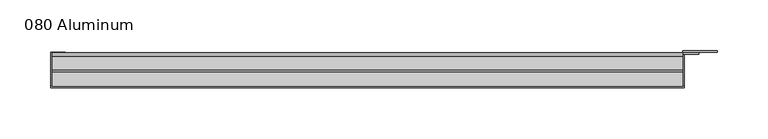
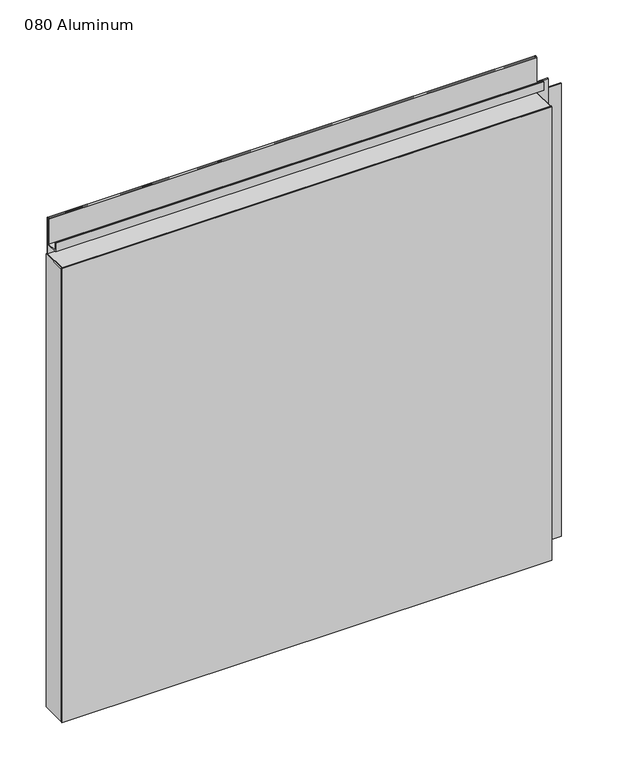
"""IFC4 building model written with IfcOpenShell, lengths in millimetres: plate geometry, 080 Aluminum."""

import ifcopenshell
import ifcopenshell.guid

model = None  # the IFC model being written
_history = None  # IfcOwnerHistory: only IFC2X3 demands one
_inside = {}  # id of a spatial element -> (the spatial element, [elements in it])
_under = {}  # id of a project, library or spatial element -> (it, [spatial elements below it])
_declared = {}  # id of a project -> (the project, [libraries it declares])
_typed = {}  # id of a type object -> (the type object, [elements of that type])
_made_of = {}  # id of a material, layer set ... -> (it, [elements and type objects made of it])


def new_model(schema):
    """Start an empty IFC model of exactly this schema.

    Asked for "IFC4X3", IfcOpenShell would pick the latest addendum, in which some entities
    have other attributes; the version numbers below select the first issue.
    IFC2X3 requires an IfcOwnerHistory on every rooted entity: one is made here for all.
    """
    global model, _history
    if schema == "IFC4X3":
        model = ifcopenshell.file(schema_version=(4, 3, 0, 0))
    else:
        model = ifcopenshell.file(schema=schema)
    _inside.clear()
    _under.clear()
    _declared.clear()
    _typed.clear()
    _made_of.clear()
    _history = None
    if model.schema == "IFC2X3":
        org = make("IfcOrganization", Name="unknown")
        user = make(
            "IfcPersonAndOrganization",
            ThePerson=make("IfcPerson", FamilyName="unknown"),
            TheOrganization=org,
        )
        app = make(
            "IfcApplication",
            ApplicationDeveloper=org,
            Version="unknown",
            ApplicationFullName="unknown",
            ApplicationIdentifier="unknown",
        )
        _history = make(
            "IfcOwnerHistory",
            OwningUser=user,
            OwningApplication=app,
            ChangeAction="ADDED",
            CreationDate=0,
        )
    return model


def make(cls, **values):
    """One entity of the class cls with the attributes given. An attribute that is None is left unset."""
    return model.create_entity(
        cls, **{name: value for name, value in values.items() if value is not None}
    )


def rooted(cls, **values):
    """An entity with a GlobalId (a new one), such as an element, a storey or a relation."""
    return make(cls, GlobalId=ifcopenshell.guid.new(), OwnerHistory=_history, **values)


def si_unit(unit_type, name, prefix=None):
    """IfcSIUnit, for example si_unit("LENGTHUNIT", "METRE", prefix="MILLI")."""
    return make("IfcSIUnit", UnitType=unit_type, Prefix=prefix, Name=name)


def assignment(units):
    """IfcUnitAssignment: the units of a project."""
    return None if units is None else make("IfcUnitAssignment", Units=units)


def point(xyz):
    """IfcCartesianPoint."""
    return None if xyz is None else make("IfcCartesianPoint", Coordinates=xyz)


def direction(xyz):
    """IfcDirection."""
    return None if xyz is None else make("IfcDirection", DirectionRatios=xyz)


def frame(location, z_axis=None, x_axis=None):
    """IfcAxis2Placement3D, a coordinate frame: its origin and axes. An axis left out is left unset."""
    return make(
        "IfcAxis2Placement3D",
        Location=point(location),
        Axis=direction(z_axis),
        RefDirection=direction(x_axis),
    )


def frame_2d(location, x_axis=None):
    """IfcAxis2Placement2D, a coordinate frame in the plane: its origin and x axis."""
    return make(
        "IfcAxis2Placement2D", Location=point(location), RefDirection=direction(x_axis)
    )


def origin():
    """The frame at (0, 0, 0) with its axes left unset."""
    return frame((0.0, 0.0, 0.0))


def origin_with_axes():
    """The frame at (0, 0, 0) with the z axis (0, 0, 1) and the x axis (1, 0, 0) written out."""
    return frame((0.0, 0.0, 0.0), z_axis=(0.0, 0.0, 1.0), x_axis=(1.0, 0.0, 0.0))


def place(relative_to, where):
    """IfcLocalPlacement: puts the frame where relative to a parent placement (None: the world)."""
    return make(
        "IfcLocalPlacement", PlacementRelTo=relative_to, RelativePlacement=where
    )


def context(
    kind, dimensions, precision=None, world=None, true_north=None, identifier=None
):
    """IfcGeometricRepresentationContext, for example the 3D "Model" context."""
    return make(
        "IfcGeometricRepresentationContext",
        ContextIdentifier=identifier,
        ContextType=kind,
        CoordinateSpaceDimension=dimensions,
        Precision=precision,
        WorldCoordinateSystem=world,
        TrueNorth=true_north,
    )


def project(units=None, contexts=None):
    """IfcProject with its units and contexts."""
    return rooted(
        "IfcProject",
        Name="project",
        RepresentationContexts=contexts,
        UnitsInContext=assignment(units),
    )


def spatial(cls, under=None, at=None, **own):
    """A site, building, storey or space (cls), placed at a placement, below another one or the project."""
    s = rooted(cls, ObjectPlacement=at, **own)
    if under is not None:
        _under.setdefault(under.id(), (under, []))[1].append(s)
    return s


def polyline(points):
    """IfcPolyline through the points."""
    return make("IfcPolyline", Points=[point(p) for p in points])


def circle_curve(where, radius):
    """IfcCircle in the frame where."""
    return make("IfcCircle", Position=where, Radius=radius)


def trimmed(basis, trim1, trim2, sense, master):
    """IfcTrimmedCurve: the piece of a basis curve between two trims."""
    return make(
        "IfcTrimmedCurve",
        BasisCurve=basis,
        Trim1=trim1,
        Trim2=trim2,
        SenseAgreement=sense,
        MasterRepresentation=master,
    )


def segment(curve, same_sense, transition):
    """IfcCompositeCurveSegment."""
    return make(
        "IfcCompositeCurveSegment",
        Transition=transition,
        SameSense=same_sense,
        ParentCurve=curve,
    )


def composite_curve(segments, self_intersect=None):
    """IfcCompositeCurve: segments joined end to end."""
    return make("IfcCompositeCurve", Segments=segments, SelfIntersect=self_intersect)


def outline(outer, holes=None, kind="AREA"):
    """IfcArbitraryClosedProfileDef: a profile drawn as a closed curve; with holes, ...WithVoids."""
    if holes is None:
        return make("IfcArbitraryClosedProfileDef", ProfileType=kind, OuterCurve=outer)
    return make(
        "IfcArbitraryProfileDefWithVoids",
        ProfileType=kind,
        OuterCurve=outer,
        InnerCurves=holes,
    )


def extrude(swept, where, along, depth):
    """IfcExtrudedAreaSolid: the profile swept, set in the frame where, extruded along a direction by depth."""
    return make(
        "IfcExtrudedAreaSolid",
        SweptArea=swept,
        Position=where,
        ExtrudedDirection=direction(along),
        Depth=depth,
    )


def shape(context_of_items, identifier, shape_type, items):
    """IfcShapeRepresentation: the items that make up one representation, for example the "Body"."""
    return make(
        "IfcShapeRepresentation",
        ContextOfItems=context_of_items,
        RepresentationIdentifier=identifier,
        RepresentationType=shape_type,
        Items=items,
    )


def source(mapping_origin, context_of_items, identifier, shape_type, items):
    """IfcRepresentationMap: a shape defined once, which mapped items show again and again."""
    return make(
        "IfcRepresentationMap",
        MappingOrigin=mapping_origin,
        MappedRepresentation=shape(context_of_items, identifier, shape_type, items),
    )


def transform(
    local_origin,
    x_axis=None,
    y_axis=None,
    z_axis=None,
    scale=None,
    scale2=None,
    scale3=None,
    uniform=True,
):
    """IfcCartesianTransformationOperator3D, or its non-uniform kind. x_axis, y_axis, z_axis: its Axis1, 2, 3."""
    if uniform:
        return make(
            "IfcCartesianTransformationOperator3D",
            Axis1=direction(x_axis),
            Axis2=direction(y_axis),
            LocalOrigin=point(local_origin),
            Scale=scale,
            Axis3=direction(z_axis),
        )
    return make(
        "IfcCartesianTransformationOperator3DnonUniform",
        Axis1=direction(x_axis),
        Axis2=direction(y_axis),
        LocalOrigin=point(local_origin),
        Scale=scale,
        Axis3=direction(z_axis),
        Scale2=scale2,
        Scale3=scale3,
    )


def mapped(mapping_source, mapping_target):
    """IfcMappedItem: shows the shape of a source again, moved by a transform."""
    return make(
        "IfcMappedItem", MappingSource=mapping_source, MappingTarget=mapping_target
    )


def made_of(thing, what):
    """Note that an element or type object is made of a material, layer set ...; save() writes the relation."""
    if what is not None:
        _made_of.setdefault(what.id(), (what, []))[1].append(thing)
    return thing


def element(
    cls,
    number,
    at=None,
    inside=None,
    cuts=None,
    type_object=None,
    material=None,
    context=None,
    identifier="Body",
    shape_type=None,
    held_by="IfcProductDefinitionShape",
    body=None,
    shapes=None,
    **own,
):
    """One element of the class cls, such as IfcWall. Its Tag is "e" and its number.

    at: its placement. inside: the storey or other place that contains it. cuts: it is an
    opening in that element (IfcRelVoidsElement). A single representation is given by context,
    identifier, shape_type and body (its items); several are given by shapes. held_by: the class
    of the entity that holds the representations. save() writes the other relations.
    """
    e = rooted(cls, Tag="e%d" % number, ObjectPlacement=at, **own)
    if body is not None:
        shapes = [shape(context, identifier, shape_type, body)]
    if shapes is not None:
        e.Representation = make(held_by, Representations=shapes)
    if inside is not None:
        _inside.setdefault(inside.id(), (inside, []))[1].append(e)
    if cuts is not None:
        rooted(
            "IfcRelVoidsElement", RelatingBuildingElement=cuts, RelatedOpeningElement=e
        )
    if type_object is not None:
        _typed.setdefault(type_object.id(), (type_object, []))[1].append(e)
    return made_of(e, material)


def aggregate(whole, parts):
    """IfcRelAggregates: a whole, such as a stair, and the parts it consists of."""
    return rooted("IfcRelAggregates", RelatingObject=whole, RelatedObjects=parts)


def save(model, path):
    """Write the relations noted so far, then the file.

    IfcRelAggregates (storeys below a building ...), IfcRelContainedInSpatialStructure (elements
    in a storey), IfcRelDefinesByType, IfcRelAssociatesMaterial and IfcRelDeclares: one each for
    every whole, place, type object, material and project.
    """
    for whole, parts in _under.values():
        aggregate(whole, parts)
    for where, things in _inside.values():
        rooted(
            "IfcRelContainedInSpatialStructure",
            RelatedElements=things,
            RelatingStructure=where,
        )
    for kind, things in _typed.values():
        rooted("IfcRelDefinesByType", RelatedObjects=things, RelatingType=kind)
    for what, things in _made_of.values():
        rooted("IfcRelAssociatesMaterial", RelatedObjects=things, RelatingMaterial=what)
    for by, libraries in _declared.values():
        rooted("IfcRelDeclares", RelatingContext=by, RelatedDefinitions=libraries)
    model.write(path)


def plate_080_aluminum_3f7f621a(model_context):
    return source(origin(), model_context, "Body", "SweptSolid", [
        extrude(outline(polyline([(-316.23, -2.5660257), (-316.23, -34.7980001), (-317.4999999, -34.7980001), (-317.4999999, -1.2699999), (-303.3394994, -1.2699999), (-303.3394994, -2.5660257), (-316.23, -2.5660257)])), origin_with_axes(), (0.0, 0.0, 1.0), 608.33),
        extrude(outline(composite_curve([segment(polyline([(-16.6765477, 13.1458337), (-16.6765477, 2.786437), (-17.9464915, 2.786437), (-17.9464915, 13.1323356)]), True, "CONTINUOUS"), segment(trimmed(circle_curve(frame_2d((-19.8514743, 13.124237)), 1.905), [point((-17.9464915, 13.1323356))], [point((-21.7564743, 13.124237))], True, "CARTESIAN"), True, "CONTINUOUS"), segment(polyline([(-21.7564743, 13.124237), (-21.7564743, 0.0), (-34.7980002, 0.0), (-34.7980002, 1.2693678), (-23.0264743, 1.2693678), (-23.0264743, 13.124237)]), True, "CONTINUOUS"), segment(trimmed(circle_curve(frame_2d((-19.8514743, 13.124237)), 3.175), [point((-23.0264743, 13.124237))], [point((-16.6765477, 13.1458337))], False, "CARTESIAN"), True, "CONTINUOUS")], self_intersect=False)), frame((-316.23, 0.0, 0.0), z_axis=(1.0, 0.0, 0.0), x_axis=(0.0, 1.0, 0.0)), (0.0, 0.0, 1.0), 619.76),
        extrude(outline(composite_curve([segment(polyline([(-2.0574743, 656.7932001), (-2.0574743, 608.33), (-34.7980002, 608.33), (-34.7980002, 609.6000001), (-3.3274743, 609.6000001), (-3.3274743, 656.7932001)]), True, "CONTINUOUS"), segment(trimmed(circle_curve(frame_2d((-3.7084742, 656.7932001)), 0.3809999), [point((-3.3274743, 656.7932001))], [point((-4.0894742, 656.7932001))], True, "CARTESIAN"), True, "CONTINUOUS"), segment(polyline([(-4.0894742, 656.7932001), (-4.0894742, 622.3), (-20.4864742, 622.3), (-20.4864742, 633.6538), (-19.2164743, 633.6538), (-19.2164743, 623.57), (-5.3594742, 623.57), (-5.3594742, 656.7932001)]), True, "CONTINUOUS"), segment(trimmed(circle_curve(frame_2d((-3.7084742, 656.7932001)), 1.6509999), [point((-5.3594742, 656.7932001))], [point((-2.0574743, 656.7932001))], False, "CARTESIAN"), True, "CONTINUOUS")], self_intersect=False)), frame((-316.23, 0.0, 0.0), z_axis=(1.0, 0.0, 0.0), x_axis=(0.0, 1.0, 0.0)), (0.0, 0.0, 1.0), 619.76),
        extrude(outline(polyline([(-317.5, -36.068), (-317.5, -34.7980001), (304.8, -34.7980001), (304.8, -36.068), (-317.5, -36.068)])), origin_with_axes(), (0.0, 0.0, 1.0), 609.6),
        extrude(outline(polyline([(304.8, -1.2699999), (304.8, -34.7980002), (303.5300001, -34.7980002), (303.5300001, 0.0), (337.3120856, 0.0), (337.3120856, -1.2699999), (304.8, -1.2699999)])), origin_with_axes(), (0.0, 0.0, 1.0), 608.33),
        extrude(outline(polyline([(303.53, -3.3274743), (303.53, -2.0574743), (319.2779999, -2.0574743), (319.2779999, -3.3274743), (303.53, -3.3274743)])), origin_with_axes(), (0.0, 0.0, 1.0), 622.3),
    ])


if __name__ == "__main__":
    model = new_model("IFC4")
    model_context = context("Model", 3, world=origin())
    ifc_project = project(units=[si_unit("LENGTHUNIT", "METRE", prefix="MILLI")], contexts=[model_context])
    site = spatial("IfcSite", under=ifc_project)
    building = spatial("IfcBuilding", under=site)
    placement = place(None, origin())
    plate_080_aluminum_shape = plate_080_aluminum_3f7f621a(model_context)
    element("IfcPlate", 1, ObjectType="080 Aluminum", at=placement, inside=building, context=model_context, shape_type="MappedRepresentation", body=[
        mapped(plate_080_aluminum_shape, transform((0.0, 0.0, 0.0), x_axis=(1.0, 0.0, 0.0), y_axis=(0.0, 1.0, 0.0), z_axis=(0.0, 0.0, 1.0))),
    ])
    save(model, "model.ifc")
